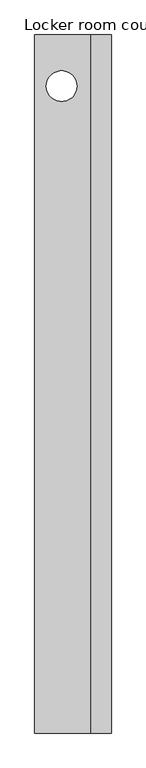
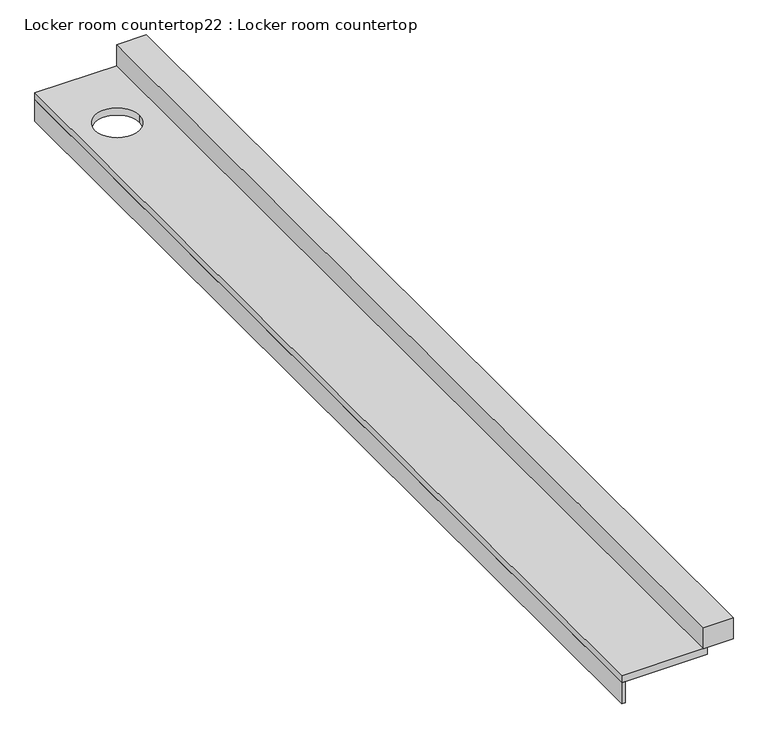
"""IFC4 building model written with IfcOpenShell, lengths in millimetres: furniture geometry, Locker room countertop22 : Locker room countertop."""

from ifc_helpers import new_model, si_unit, point, frame, frame_2d, origin, place, context, project, spatial, polyline, circle_curve, trimmed, segment, composite_curve, outline, extrude, source, transform, mapped, element, save


def locker_room_countertop22_locker_room_countertop_8a514a10(model_context):
    return source(origin(), model_context, "Body", "SweptSolid", [
        extrude(outline(polyline([(451232.3754676, -273328.5863632), (451232.3754676, -266384.8613632), (451257.7754676, -266384.8613632), (451257.7754676, -273328.5863632), (451232.3754676, -273328.5863632)])), frame((0.0, 0.0, 660.4), z_axis=(0.0, 0.0, 1.0), x_axis=(1.0, 0.0, 0.0)), (0.0, 0.0, 1.0), 152.4),
        extrude(outline(polyline([(451791.1754676, -266384.8613632), (451994.3754676, -266384.8613632), (451994.3754676, -273328.5863632), (451791.1754676, -273328.5863632), (451791.1754676, -266384.8613632)])), frame((0.0, 0.0, 863.6), z_axis=(0.0, 0.0, 1.0), x_axis=(1.0, 0.0, 0.0)), (0.0, 0.0, 1.0), 152.4),
        extrude(outline(polyline([(451232.3754676, -266384.8613632), (451816.5754676, -266384.8613632), (451816.5754676, -273328.5863632), (451232.3754676, -273328.5863632), (451232.3754676, -266384.8613632)]), holes=[composite_curve([segment(trimmed(circle_curve(frame_2d((451499.6017374, -266895.0521175)), 152.4), [point((451652.0017374, -266895.0521175))], [point((451347.2017374, -266895.0521175))], True, "CARTESIAN"), True, "CONTINUOUS"), segment(trimmed(circle_curve(frame_2d((451499.6017374, -266895.0521175)), 152.4), [point((451347.2017374, -266895.0521175))], [point((451652.0017374, -266895.0521175))], True, "CARTESIAN"), True, "CONTINUOUS")], self_intersect=False)]), frame((0.0, 0.0, 812.8), z_axis=(0.0, 0.0, 1.0), x_axis=(1.0, 0.0, 0.0)), (0.0, 0.0, 1.0), 50.8),
    ])


if __name__ == "__main__":
    model = new_model("IFC4")
    model_context = context("Model", 3, world=origin())
    ifc_project = project(units=[si_unit("LENGTHUNIT", "METRE", prefix="MILLI")], contexts=[model_context])
    site = spatial("IfcSite", under=ifc_project)
    building = spatial("IfcBuilding", under=site)
    placement = place(None, origin())
    locker_room_countertop22_locker_room_countertop_shape = locker_room_countertop22_locker_room_countertop_8a514a10(model_context)
    element("IfcFurniture", 1, ObjectType="Locker room countertop22 : Locker room countertop", at=placement, inside=building, context=model_context, shape_type="MappedRepresentation", body=[
        mapped(locker_room_countertop22_locker_room_countertop_shape, transform((0.0, 0.0, 0.0), x_axis=(1.0, 0.0, 0.0), y_axis=(0.0, 1.0, 0.0), z_axis=(0.0, 0.0, 1.0))),
    ])
    save(model, "model.ifc")
